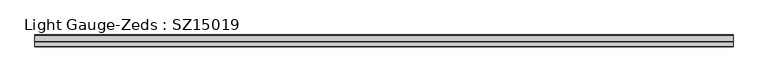
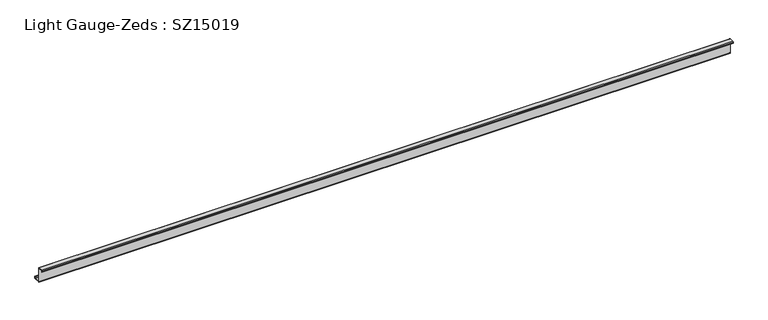
"""IFC4 building model written with IfcOpenShell, lengths in millimetres: beam geometry, Light Gauge-Zeds : SZ15019."""

from ifc_helpers import new_model, si_unit, point, frame, frame_2d, origin, place, context, project, spatial, polyline, circle_curve, trimmed, segment, composite_curve, outline, extrude, source, transform, mapped, element, save


def light_gauge_zeds_sz15019_3a91a050(model_context):
    return source(origin(), model_context, "Body", "SweptSolid", [
        extrude(outline(composite_curve([segment(polyline([(0.0, -72.1), (0.0, 72.1)]), True, "CONTINUOUS"), segment(trimmed(circle_curve(frame_2d((-2.0, 72.1)), 2.0), [point((0.0, 72.1))], [point((-2.0, 74.1))], True, "CARTESIAN"), True, "CONTINUOUS"), segment(polyline([(-2.0, 74.1), (-46.6, 74.1)]), True, "CONTINUOUS"), segment(trimmed(circle_curve(frame_2d((-46.6, 72.1)), 2.0), [point((-46.6, 74.1))], [point((-48.6, 72.1))], True, "CARTESIAN"), True, "CONTINUOUS"), segment(polyline([(-48.6, 72.1), (-48.6, 58.0), (-50.5, 58.0), (-50.5, 72.1)]), True, "CONTINUOUS"), segment(trimmed(circle_curve(frame_2d((-46.6, 72.1)), 3.9), [point((-50.5, 72.1))], [point((-46.6, 76.0))], False, "CARTESIAN"), True, "CONTINUOUS"), segment(polyline([(-46.6, 76.0), (-2.0, 76.0)]), True, "CONTINUOUS"), segment(trimmed(circle_curve(frame_2d((-2.0, 72.1)), 3.9), [point((-2.0, 76.0))], [point((1.9, 72.1))], False, "CARTESIAN"), True, "CONTINUOUS"), segment(polyline([(1.9, 72.1), (1.9, -72.1)]), True, "CONTINUOUS"), segment(trimmed(circle_curve(frame_2d((3.9, -72.1)), 2.0), [point((1.9, -72.1))], [point((3.9, -74.1))], True, "CARTESIAN"), True, "CONTINUOUS"), segment(polyline([(3.9, -74.1), (63.6, -74.1)]), True, "CONTINUOUS"), segment(trimmed(circle_curve(frame_2d((63.6, -72.1)), 2.0), [point((63.6, -74.1))], [point((65.6, -72.1))], True, "CARTESIAN"), True, "CONTINUOUS"), segment(polyline([(65.6, -72.1), (65.6, -57.0), (67.5, -57.0), (67.5, -72.1)]), True, "CONTINUOUS"), segment(trimmed(circle_curve(frame_2d((63.6, -72.1)), 3.9), [point((67.5, -72.1))], [point((63.6, -76.0))], False, "CARTESIAN"), True, "CONTINUOUS"), segment(polyline([(63.6, -76.0), (3.9, -76.0)]), True, "CONTINUOUS"), segment(trimmed(circle_curve(frame_2d((3.9, -72.1)), 3.9), [point((3.9, -76.0))], [point((0.0, -72.1))], False, "CARTESIAN"), True, "CONTINUOUS")], self_intersect=False)), frame((-3085.0, 0.0, 0.0), z_axis=(1.0, 0.0, 0.0), x_axis=(0.0, 1.0, 0.0)), (0.0, 0.0, 1.0), 6885.339248),
    ])


if __name__ == "__main__":
    model = new_model("IFC4")
    model_context = context("Model", 3, world=origin())
    ifc_project = project(units=[si_unit("LENGTHUNIT", "METRE", prefix="MILLI")], contexts=[model_context])
    site = spatial("IfcSite", under=ifc_project)
    building = spatial("IfcBuilding", under=site)
    placement = place(None, origin())
    light_gauge_zeds_sz15019_shape = light_gauge_zeds_sz15019_3a91a050(model_context)
    element("IfcBeam", 1, ObjectType="Light Gauge-Zeds : SZ15019", at=placement, inside=building, context=model_context, shape_type="MappedRepresentation", body=[
        mapped(light_gauge_zeds_sz15019_shape, transform((0.0, 0.0, 0.0), x_axis=(1.0, 0.0, 0.0), y_axis=(0.0, 1.0, 0.0), z_axis=(0.0, 0.0, 1.0))),
    ])
    save(model, "model.ifc")
